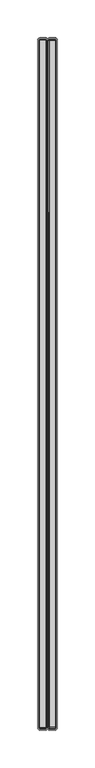
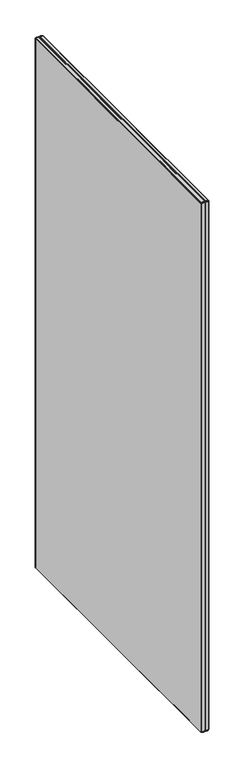
"""IFC4 building model written with IfcOpenShell, lengths in millimetres: furniture geometry."""

from ifc_helpers import new_model, si_unit, origin, place, context, project, spatial, triangles, source, transform, mapped, element, save


def furniture_480451cd(model_context):
    return source(origin(), model_context, "Body", "Tessellation", [
        triangles([(1472.9395318, 1700.003075, 129.787999), (1464.7714257, 1700.003075, 129.787999), (1464.7714257, 1701.06115, 130.4949962), (1472.9395318, 1701.06115, 130.4949962), (1474.3874086, 1698.7560581, 1903.9250656), (1474.3874086, 1699.3850895, 1903.7999279), (1473.9644693, 1699.7801235, 1904.7530674), (1473.9644693, 1698.7560581, 1904.9569794), (1473.9644693, 1701.229163, 131.7749962), (1472.9395318, 1701.7669209, 131.5519993), (1472.9395318, 1702.0160336, 132.7999972), (1473.9644693, 1701.4329296, 132.7999972), (1473.9644693, 1699.7801235, 130.3270014), (1474.3874086, 1699.3850895, 131.2810038), (1474.3874086, 1698.7560581, 131.1560024), (1473.9644693, 1698.7560581, 130.1229986), (1472.9395318, 791.2751125, 1905.539938), (1472.9395318, 1698.7560581, 1905.539938), (1464.7714257, 1698.7560581, 1905.539938), (1464.7714257, 791.2751125, 1905.539938), (1464.7714257, 788.0151371, 1902.2809799), (1464.7714257, 788.0151371, 132.7999972), (1472.9395318, 788.0151371, 132.7999972), (1472.9395318, 788.0151371, 1902.2809799), (1464.7714257, 790.0280956, 1905.291988), (1472.9395318, 790.0280956, 1905.291988), (1473.9644693, 789.3819141, 1904.1730156), (1473.9644693, 790.2510471, 1904.7530674), (1472.9395318, 788.9700207, 1904.5860718), (1473.9644693, 791.2751125, 1904.9569794), (1474.3874086, 790.6460812, 1903.7999279), (1474.3874086, 791.2751125, 1903.9250656), (1474.3874086, 790.1129742, 1903.4429729), (1472.9395318, 1701.7669209, 1903.5279968), (1464.7714257, 1701.7669209, 1903.5279968), (1464.7714257, 1701.06115, 1904.5860718), (1472.9395318, 1701.06115, 1904.5860718), (1464.7714257, 1702.0160336, 1902.2809799), (1472.9395318, 1702.0160336, 1902.2809799), (1473.9644693, 1701.229163, 1903.3050453), (1473.9644693, 1701.4329296, 1902.2809799), (1472.9395318, 1700.003075, 1905.291988), (1473.9644693, 1700.6489658, 1904.1730156), (1473.9644693, 788.8020077, 1903.3050453), (1474.3874086, 789.7560192, 1902.9100113), (1472.9395318, 1698.7560581, 129.5400036), (1473.9644693, 1700.6489658, 130.9069987), (1472.9395318, 788.2639591, 1903.5279968), (1474.3874086, 1699.9179058, 131.6369959), (1473.9644693, 788.5979504, 132.7999972), (1473.9644693, 788.5979504, 1902.2809799), (1464.7714257, 788.2639591, 131.5519993), (1472.9395318, 788.2639591, 131.5519993), (1464.7714257, 788.9700207, 1904.5860718), (1464.7714257, 788.2639591, 1903.5279968), (1474.3874086, 1700.4001438, 1902.2809799), (1474.3874086, 1700.4001438, 132.7999972), (1472.9395318, 788.9700207, 130.4949962), (1464.7714257, 788.9700207, 130.4949962), (1464.7714257, 1698.7560581, 129.5400036), (1464.7714257, 790.0280956, 129.787999), (1472.9395318, 790.0280956, 129.787999), (1472.9395318, 791.2751125, 129.5400036), (1464.7714257, 791.2751125, 129.5400036), (1473.9644693, 791.2751125, 130.1229986), (1473.9644693, 790.2510471, 130.3270014), (1473.9644693, 789.3819141, 130.9069987), (1473.9644693, 788.8020077, 131.7749962), (1474.3874086, 789.7560192, 132.170003), (1474.3874086, 789.6310268, 132.7999972), (1474.3874086, 790.1129742, 131.6369959), (1474.3874086, 790.6460812, 131.2810038), (1474.3874086, 791.2751125, 131.1560024), (1474.3874086, 1700.2751514, 132.170003), (1474.3874086, 789.6310268, 1902.2809799), (1474.3874086, 1699.9179058, 1903.4429729), (1464.7714257, 1700.003075, 1905.291988), (1474.3874086, 1700.2751514, 1902.9100113), (1464.7714257, 1702.0160336, 132.7999972), (1464.7714257, 1701.7669209, 131.5519993), (1472.9395318, 1698.7560581, 1905.3979408), (1463.7464883, 1698.7560581, 1904.9569794), (1463.3234037, 1698.7560581, 1903.9250656), (1463.3234037, 791.2751125, 1903.9250656), (1463.7464883, 791.2751125, 1904.9569794), (1462.3734616, 1699.9309864, 1902.1859276), (1462.3734616, 1698.6610058, 1903.4560535), (1462.3734616, 1699.1470226, 1903.3589664), (1462.3734616, 1699.8338993, 1902.6719444), (1463.3234037, 790.6460812, 1903.7999279), (1463.7464883, 790.2510471, 1904.7530674), (1475.7604352, 791.2751125, 1903.9250656), (1475.7604352, 1698.7560581, 1903.9250656), (1475.7604352, 1700.4001438, 132.7999972), (1475.7604352, 1700.2751514, 132.170003), (1463.7464883, 788.8020077, 1903.3050453), (1463.7464883, 789.3819141, 1904.1730156), (1475.7604352, 1700.2751514, 1902.9100113), (1475.7604352, 1700.4001438, 1902.2809799), (1475.7604352, 789.6310268, 1902.2809799), (1475.7604352, 789.7560192, 1902.9100113), (1475.7604352, 1699.3850895, 1903.7999279), (1475.7604352, 1699.9179058, 1903.4429729), (1462.3734616, 790.884148, 1903.3589664), (1462.3734616, 791.3701649, 1903.4560535), (1462.3734616, 790.0998936, 1902.1859276), (1462.3734616, 790.1969807, 1902.6719444), (1462.3734616, 1699.8338993, 132.4079972), (1462.3734616, 1699.5589161, 131.997003), (1462.3734616, 1699.1470226, 131.7210024), (1462.3734616, 1699.9309864, 132.8950042), (1462.3734616, 790.0998936, 132.8950042), (1462.3734616, 790.1969807, 132.4079972), (1462.3734616, 791.3701649, 131.6249963), (1462.3734616, 790.884148, 131.7210024), (1462.3734616, 1698.6610058, 131.6249963), (1475.7604352, 790.6460812, 1903.7999279), (1475.7604352, 790.1129742, 1903.4429729), (1475.7604352, 790.6460812, 131.2810038), (1475.7604352, 791.2751125, 131.1560024), (1462.3734616, 790.4719639, 131.997003), (1475.7604352, 1698.7560581, 131.1560024), (1475.7604352, 1699.3850895, 131.2810038), (1475.7604352, 1699.9179058, 131.6369959), (1475.7604352, 790.1129742, 131.6369959), (1462.3734616, 1699.5589161, 1903.0839832), (1475.7604352, 789.6310268, 132.7999972), (1462.3734616, 790.4719639, 1903.0839832), (1475.7604352, 789.7560192, 132.170003), (1463.7464883, 788.5979504, 1902.2809799), (1463.7464883, 1701.4329296, 132.7999972), (1463.3234037, 1700.4001438, 132.7999972), (1463.3234037, 1700.4001438, 1902.2809799), (1463.7464883, 1701.4329296, 1902.2809799), (1463.7464883, 788.8020077, 131.7749962), (1463.3234037, 789.7560192, 132.170003), (1463.3234037, 790.1129742, 131.6369959), (1463.7464883, 789.3819141, 130.9069987), (1463.7464883, 1699.7801235, 130.3270014), (1463.7464883, 1700.6489658, 130.9069987), (1463.7464883, 1698.7560581, 130.1229986), (1463.3234037, 1699.3850895, 131.2810038), (1463.3234037, 1699.9179058, 131.6369959), (1463.3234037, 1700.2751514, 132.170003), (1463.7464883, 1701.229163, 131.7749962), (1463.7464883, 788.5979504, 132.7999972), (1463.7464883, 791.2751125, 130.1229986), (1463.7464883, 790.2510471, 130.3270014), (1463.3234037, 789.6310268, 132.7999972), (1463.3234037, 790.6460812, 131.2810038), (1463.3234037, 1698.7560581, 131.1560024), (1463.3234037, 1700.2751514, 1902.9100113), (1463.3234037, 1699.9179058, 1903.4429729), (1463.7464883, 1700.6489658, 1904.1730156), (1463.7464883, 1701.229163, 1903.3050453), (1463.3234037, 1699.3850895, 1903.7999279), (1463.3234037, 790.1129742, 1903.4429729), (1463.3234037, 789.7560192, 1902.9100113), (1463.3234037, 791.2751125, 131.1560024), (1463.3234037, 789.6310268, 1902.2809799), (1463.7464883, 1699.7801235, 1904.7530674), (1476.1825025, 1698.7560581, 1904.9569794), (1477.2074399, 1698.7560581, 1905.539938), (1477.2074399, 1700.003075, 1905.291988), (1476.1825025, 1699.7801235, 1904.7530674), (1485.376418, 788.9700207, 130.4949962), (1485.376418, 788.2639591, 131.5519993), (1477.2074399, 788.2639591, 131.5519993), (1477.2074399, 788.9700207, 130.4949962), (1476.1825025, 790.2510471, 130.3270014), (1477.2074399, 790.0280956, 129.787999), (1476.1825025, 789.3819141, 130.9069987), (1477.2074399, 788.2639591, 1903.5279968), (1485.376418, 788.2639591, 1903.5279968), (1485.376418, 788.9700207, 1904.5860718), (1477.2074399, 788.9700207, 1904.5860718), (1476.1825025, 788.8020077, 131.7749962), (1476.1825025, 788.5979504, 132.7999972), (1477.2074399, 1698.7560581, 129.5400036), (1477.2074399, 1700.003075, 129.787999), (1485.376418, 1700.003075, 129.787999), (1485.376418, 1698.7560581, 129.5400036), (1485.376418, 791.2751125, 129.5400036), (1485.376418, 790.0280956, 129.787999), (1477.2074399, 791.2751125, 129.5400036), (1476.1825025, 788.8020077, 1903.3050453), (1476.1825025, 789.3819141, 1904.1730156), (1477.2074399, 788.0151371, 1902.2809799), (1476.1825025, 788.5979504, 1902.2809799), (1477.2074399, 1701.06115, 1904.5860718), (1485.376418, 1700.003075, 1905.291988), (1485.376418, 1701.06115, 1904.5860718), (1476.1825025, 1700.6489658, 130.9069987), (1476.1825025, 1701.229163, 131.7749962), (1477.2074399, 1701.7669209, 131.5519993), (1477.2074399, 1701.06115, 130.4949962), (1476.1825025, 1698.7560581, 130.1229986), (1476.1825025, 1699.7801235, 130.3270014), (1477.2074399, 788.0151371, 132.7999972), (1485.376418, 788.0151371, 132.7999972), (1485.376418, 788.0151371, 1902.2809799), (1485.376418, 1701.06115, 130.4949962), (1485.376418, 1698.7560581, 1905.539938), (1476.1825025, 790.2510471, 1904.7530674), (1477.2074399, 790.0280956, 1905.291988), (1477.2074399, 791.2751125, 1905.539938), (1476.1825025, 791.2751125, 1904.9569794), (1476.1825025, 1700.6489658, 1904.1730156), (1477.2074399, 1701.7669209, 1903.5279968), (1476.1825025, 1701.229163, 1903.3050453), (1476.1825025, 1701.4329296, 132.7999972), (1476.1825025, 791.2751125, 130.1229986), (1485.376418, 790.0280956, 1905.291988), (1485.376418, 791.2751125, 1905.539938), (1477.2074399, 1702.0160336, 1902.2809799), (1485.376418, 1701.7669209, 1903.5279968), (1485.376418, 1702.0160336, 1902.2809799), (1477.2074399, 1702.0160336, 132.7999972), (1476.1825025, 1701.4329296, 1902.2809799), (1477.2074399, 1698.7560581, 1905.3979408), (1485.376418, 1702.0160336, 132.7999972), (1485.376418, 1701.7669209, 131.5519993), (1486.4015008, 1701.229163, 1903.3050453), (1486.4015008, 1700.6489658, 1904.1730156), (1486.8234227, 1698.7560581, 1903.9250656), (1486.8234227, 1699.3850895, 1903.7999279), (1486.4015008, 1699.7801235, 1904.7530674), (1486.4015008, 1698.7560581, 1904.9569794), (1486.8234227, 1699.9179058, 1903.4429729), (1486.8234227, 1700.2751514, 1902.9100113), (1486.8234227, 1700.4001438, 1902.2809799), (1486.4015008, 1701.4329296, 1902.2809799), (1486.8234227, 1700.4001438, 132.7999972), (1486.4015008, 1701.4329296, 132.7999972), (1486.4015008, 1699.7801235, 130.3270014), (1486.4015008, 1700.6489658, 130.9069987), (1487.7735101, 1699.8338993, 132.4079972), (1487.7735101, 1699.1470226, 131.7210024), (1487.7735101, 1699.5589161, 131.997003), (1487.7735101, 1699.9309864, 1902.1859276), (1487.7735101, 1698.6610058, 1903.4560535), (1487.7735101, 791.3701649, 1903.4560535), (1487.7735101, 790.0998936, 1902.1859276), (1486.4015008, 789.3819141, 1904.1730156), (1486.8234227, 790.1129742, 1903.4429729), (1486.8234227, 790.6460812, 1903.7999279), (1486.4015008, 790.2510471, 1904.7530674), (1486.4015008, 1701.229163, 131.7749962), (1487.7735101, 1699.8338993, 1902.6719444), (1487.7735101, 1699.1470226, 1903.3589664), (1487.7735101, 790.884148, 131.7210024), (1487.7735101, 790.1969807, 132.4079972), (1487.7735101, 790.4719639, 131.997003), (1486.4015008, 791.2751125, 1904.9569794), (1486.4015008, 788.8020077, 1903.3050453), (1486.8234227, 789.7560192, 1902.9100113), (1487.7735101, 790.0998936, 132.8950042), (1487.7735101, 1699.9309864, 132.8950042), (1486.4015008, 1698.7560581, 130.1229986), (1486.8234227, 1700.2751514, 132.170003), (1487.7735101, 790.884148, 1903.3589664), (1487.7735101, 790.4719639, 1903.0839832), (1487.7735101, 790.1969807, 1902.6719444), (1486.4015008, 788.5979504, 1902.2809799), (1486.8234227, 1699.9179058, 131.6369959), (1487.7735101, 1699.5589161, 1903.0839832), (1486.8234227, 1699.3850895, 131.2810038), (1486.8234227, 1698.7560581, 131.1560024), (1486.8234227, 789.6310268, 1902.2809799), (1487.7735101, 1698.6610058, 131.6249963), (1486.8234227, 791.2751125, 1903.9250656), (1487.7735101, 791.3701649, 131.6249963), (1486.4015008, 788.5979504, 132.7999972), (1486.8234227, 789.6310268, 132.7999972), (1486.8234227, 791.2751125, 131.1560024), (1486.4015008, 791.2751125, 130.1229986), (1486.8234227, 790.1129742, 131.6369959), (1486.8234227, 790.6460812, 131.2810038), (1486.8234227, 789.7560192, 132.170003), (1486.4015008, 789.3819141, 130.9069987), (1486.4015008, 790.2510471, 130.3270014), (1486.4015008, 788.8020077, 131.7749962)], [[1, 2, 3], [1, 3, 4], [5, 6, 7], [5, 7, 8], [9, 10, 11], [9, 11, 12], [13, 14, 15], [13, 15, 16], [17, 18, 19], [17, 19, 20], [21, 22, 23], [21, 23, 24], [17, 20, 25], [17, 25, 26], [27, 28, 26], [27, 26, 29], [30, 17, 26], [30, 26, 28], [30, 28, 31], [30, 31, 32], [27, 33, 31], [27, 31, 28], [34, 35, 36], [34, 36, 37], [38, 35, 34], [38, 34, 39], [39, 34, 40], [39, 40, 41], [37, 42, 7], [37, 7, 43], [27, 44, 45], [27, 45, 33], [40, 34, 37], [40, 37, 43], [7, 42, 18], [7, 18, 8], [46, 1, 13], [46, 13, 16], [4, 10, 9], [4, 9, 47], [27, 29, 48], [27, 48, 44], [49, 14, 13], [49, 13, 47], [24, 23, 50], [24, 50, 51], [23, 22, 52], [23, 52, 53], [13, 1, 4], [13, 4, 47], [29, 54, 55], [29, 55, 48], [41, 56, 57], [41, 57, 12], [58, 53, 52], [58, 52, 59], [60, 2, 1], [60, 1, 46], [58, 59, 61], [58, 61, 62], [63, 62, 61], [63, 61, 64], [65, 66, 62], [65, 62, 63], [67, 58, 62], [67, 62, 66], [67, 68, 53], [67, 53, 58], [50, 23, 53], [50, 53, 68], [50, 68, 69], [50, 69, 70], [67, 71, 69], [67, 69, 68], [67, 66, 72], [67, 72, 71], [65, 73, 72], [65, 72, 66], [64, 60, 46], [64, 46, 63], [9, 74, 49], [9, 49, 47], [50, 70, 75], [50, 75, 51], [7, 6, 76], [7, 76, 43], [57, 74, 9], [57, 9, 12], [29, 26, 25], [29, 25, 54], [36, 77, 42], [36, 42, 37], [24, 48, 55], [24, 55, 21], [51, 75, 45], [51, 45, 44], [76, 78, 40], [76, 40, 43], [30, 32, 5], [30, 5, 8], [40, 78, 56], [40, 56, 41], [39, 11, 79], [39, 79, 38], [41, 12, 11], [41, 11, 39], [3, 80, 10], [3, 10, 4], [10, 80, 79], [10, 79, 11], [42, 77, 19], [42, 19, 18], [51, 44, 48], [51, 48, 24], [30, 8, 81], [30, 81, 17], [82, 83, 84], [82, 84, 85], [58, 62, 66], [58, 66, 67], [16, 13, 14], [16, 14, 15], [47, 49, 14], [47, 14, 13], [86, 87, 88], [86, 88, 89], [84, 90, 91], [84, 91, 85], [92, 93, 5], [92, 5, 32], [94, 95, 74], [94, 74, 57], [96, 55, 54], [96, 54, 97], [98, 99, 56], [98, 56, 78], [100, 101, 45], [100, 45, 75], [47, 9, 74], [47, 74, 49], [68, 69, 70], [68, 70, 50], [16, 15, 73], [16, 73, 65], [4, 3, 80], [4, 80, 10], [102, 103, 76], [102, 76, 6], [16, 46, 1], [16, 1, 13], [106, 104, 105], [104, 106, 107], [108, 109, 110], [106, 105, 87], [106, 87, 86], [73, 72, 66], [73, 66, 65], [46, 60, 2], [46, 2, 1], [47, 4, 10], [47, 10, 9], [106, 86, 111], [106, 111, 112], [114, 113, 112], [113, 114, 115], [111, 116, 114], [111, 114, 112], [68, 53, 58], [68, 58, 67], [102, 6, 5], [102, 5, 93], [92, 32, 31], [92, 31, 117], [118, 33, 45], [118, 45, 101], [119, 72, 73], [119, 73, 120], [115, 121, 113], [122, 15, 14], [122, 14, 123], [71, 69, 68], [71, 68, 67], [124, 123, 14], [124, 14, 49], [119, 125, 71], [119, 71, 72], [53, 52, 59], [53, 59, 58], [66, 72, 71], [66, 71, 67], [124, 49, 74], [124, 74, 95], [94, 57, 56], [94, 56, 99], [91, 25, 20], [91, 20, 85], [20, 19, 82], [20, 82, 85], [22, 52, 53], [22, 53, 23], [118, 117, 31], [118, 31, 33], [108, 110, 116], [111, 108, 116], [89, 88, 126], [23, 53, 68], [23, 68, 50], [59, 61, 62], [59, 62, 58], [62, 61, 64], [62, 64, 63], [63, 46, 16], [63, 16, 65], [11, 10, 80], [11, 80, 79], [98, 78, 76], [98, 76, 103], [100, 75, 70], [100, 70, 127], [104, 107, 128], [47, 13, 1], [47, 1, 4], [129, 127, 70], [129, 70, 69], [12, 57, 74], [12, 74, 9], [4, 1, 2], [4, 2, 3], [129, 69, 71], [129, 71, 125], [122, 120, 73], [122, 73, 15], [21, 55, 96], [21, 96, 130], [54, 25, 91], [54, 91, 97], [12, 9, 10], [12, 10, 11], [66, 62, 63], [66, 63, 65], [131, 132, 133], [131, 133, 134], [135, 136, 137], [135, 137, 138], [3, 2, 139], [3, 139, 140], [139, 2, 60], [139, 60, 141], [139, 142, 143], [139, 143, 140], [143, 144, 145], [143, 145, 140], [140, 3, 2], [140, 2, 139], [140, 145, 80], [140, 80, 3], [146, 135, 52], [146, 52, 22], [147, 64, 61], [147, 61, 148], [149, 136, 135], [149, 135, 146], [140, 143, 144], [140, 144, 145], [138, 137, 150], [138, 150, 148], [151, 142, 139], [151, 139, 141], [145, 144, 132], [145, 132, 131], [152, 89, 126], [152, 126, 153], [131, 79, 80], [131, 80, 145], [141, 151, 142], [141, 142, 139], [138, 59, 52], [138, 52, 135], [59, 52, 135], [59, 135, 138], [152, 133, 86], [152, 86, 89], [137, 150, 148], [137, 148, 138], [154, 155, 152], [154, 152, 153], [156, 153, 126], [156, 126, 88], [91, 90, 157], [91, 157, 97], [156, 88, 87], [156, 87, 83], [64, 61, 148], [64, 148, 147], [38, 79, 131], [38, 131, 134], [135, 52, 22], [135, 22, 146], [138, 148, 61], [138, 61, 59], [84, 83, 87], [84, 87, 105], [84, 105, 104], [84, 104, 90], [157, 90, 104], [157, 104, 128], [157, 128, 107], [157, 107, 158], [147, 159, 151], [147, 151, 141], [130, 160, 149], [130, 149, 146], [160, 158, 107], [160, 107, 106], [132, 111, 86], [132, 86, 133], [111, 132, 144], [111, 144, 108], [109, 108, 144], [109, 144, 143], [109, 143, 142], [109, 142, 110], [116, 110, 142], [116, 142, 151], [159, 114, 116], [159, 116, 151], [140, 139, 142], [140, 142, 143], [130, 146, 22], [130, 22, 21], [148, 61, 59], [148, 59, 138], [134, 155, 35], [134, 35, 38], [154, 153, 156], [154, 156, 161], [154, 36, 35], [154, 35, 155], [154, 161, 77], [154, 77, 36], [82, 19, 77], [82, 77, 161], [131, 145, 144], [131, 144, 132], [96, 158, 160], [96, 160, 130], [148, 150, 159], [148, 159, 147], [157, 158, 96], [157, 96, 97], [141, 139, 2], [141, 2, 60], [82, 161, 156], [82, 156, 83], [147, 141, 60], [147, 60, 64], [147, 148, 150], [147, 150, 159], [138, 135, 136], [138, 136, 137], [134, 133, 152], [134, 152, 155], [146, 149, 136], [146, 136, 135], [79, 80, 145], [79, 145, 131], [145, 80, 3], [145, 3, 140], [162, 163, 164], [162, 164, 165], [166, 167, 168], [166, 168, 169], [170, 171, 169], [170, 169, 172], [173, 174, 175], [173, 175, 176], [127, 129, 177], [127, 177, 178], [177, 129, 125], [177, 125, 172], [179, 180, 181], [179, 181, 182], [183, 184, 171], [183, 171, 185], [112, 113, 136], [112, 136, 149], [186, 173, 176], [186, 176, 187], [188, 173, 186], [188, 186, 189], [190, 164, 191], [190, 191, 192], [193, 194, 195], [193, 195, 196], [197, 122, 123], [197, 123, 198], [114, 159, 150], [114, 150, 115], [118, 101, 186], [118, 186, 187], [188, 199, 200], [188, 200, 201], [171, 184, 166], [171, 166, 169], [177, 168, 199], [177, 199, 178], [125, 119, 170], [125, 170, 172], [185, 179, 182], [185, 182, 183], [168, 167, 200], [168, 200, 199], [196, 202, 181], [196, 181, 180], [121, 137, 136], [121, 136, 113], [163, 203, 191], [163, 191, 164], [169, 168, 177], [169, 177, 172], [193, 198, 123], [193, 123, 124], [204, 205, 206], [204, 206, 207], [208, 190, 209], [208, 209, 210], [211, 194, 95], [211, 95, 94], [185, 171, 170], [185, 170, 212], [170, 119, 120], [170, 120, 212], [185, 183, 184], [185, 184, 171], [205, 213, 214], [205, 214, 206], [215, 209, 216], [215, 216, 217], [215, 218, 211], [215, 211, 219], [197, 198, 180], [197, 180, 179], [193, 124, 95], [193, 95, 194], [206, 220, 162], [206, 162, 207], [219, 99, 98], [219, 98, 210], [189, 100, 127], [189, 127, 178], [201, 174, 173], [201, 173, 188], [162, 165, 102], [162, 102, 93], [160, 106, 112], [160, 112, 149], [204, 117, 118], [204, 118, 187], [121, 115, 150], [121, 150, 137], [92, 117, 204], [92, 204, 207], [186, 101, 100], [186, 100, 189], [208, 103, 102], [208, 102, 165], [176, 205, 204], [176, 204, 187], [214, 203, 163], [214, 163, 206], [190, 192, 216], [190, 216, 209], [208, 165, 164], [208, 164, 190], [208, 210, 98], [208, 98, 103], [217, 221, 218], [217, 218, 215], [211, 94, 99], [211, 99, 219], [218, 221, 222], [218, 222, 195], [196, 195, 222], [196, 222, 202], [193, 196, 180], [193, 180, 198], [211, 218, 195], [211, 195, 194], [175, 213, 205], [175, 205, 176], [219, 210, 209], [219, 209, 215], [162, 93, 92], [162, 92, 207], [189, 178, 199], [189, 199, 188], [223, 216, 192], [223, 192, 224], [225, 226, 227], [225, 227, 228], [229, 230, 223], [229, 223, 224], [202, 181, 180], [202, 180, 196], [212, 185, 171], [212, 171, 170], [218, 195, 194], [218, 194, 211], [223, 230, 231], [223, 231, 232], [172, 170, 171], [172, 171, 169], [195, 222, 202], [195, 202, 196], [232, 231, 233], [232, 233, 234], [235, 181, 202], [235, 202, 236], [237, 238, 239], [240, 241, 242], [240, 242, 243], [244, 245, 246], [244, 246, 247], [202, 222, 248], [202, 248, 236], [180, 181, 182], [180, 182, 179], [249, 250, 241], [240, 249, 241], [251, 252, 253], [244, 247, 213], [244, 213, 175], [254, 214, 213], [254, 213, 247], [244, 255, 256], [244, 256, 245], [257, 258, 240], [257, 240, 243], [254, 228, 203], [254, 203, 214], [192, 191, 227], [192, 227, 224], [244, 175, 174], [244, 174, 255], [232, 234, 221], [232, 221, 217], [248, 222, 221], [248, 221, 234], [182, 181, 235], [182, 235, 259], [233, 260, 248], [233, 248, 234], [178, 127, 129], [178, 129, 177], [261, 262, 263], [264, 255, 174], [264, 174, 201], [248, 260, 265], [248, 265, 236], [249, 266, 250], [265, 267, 235], [265, 235, 236], [235, 267, 268], [235, 268, 259], [212, 170, 119], [212, 119, 120], [172, 169, 168], [172, 168, 177], [221, 222, 195], [221, 195, 218], [198, 180, 179], [198, 179, 197], [124, 95, 194], [124, 194, 193], [264, 269, 256], [264, 256, 255], [172, 125, 119], [172, 119, 170], [122, 123, 198], [122, 198, 197], [194, 95, 94], [194, 94, 211], [227, 191, 203], [227, 203, 228], [227, 226, 229], [227, 229, 224], [212, 120, 122], [212, 122, 197], [212, 197, 179], [212, 179, 185], [169, 171, 184], [169, 184, 166], [194, 195, 196], [194, 196, 193], [169, 166, 167], [169, 167, 168], [196, 180, 198], [196, 198, 193], [258, 270, 238], [258, 238, 237], [254, 247, 246], [254, 246, 271], [217, 216, 223], [217, 223, 232], [172, 177, 129], [172, 129, 125], [198, 123, 124], [198, 124, 193], [178, 177, 168], [178, 168, 199], [242, 263, 243], [263, 242, 261], [257, 251, 272], [251, 257, 252], [199, 168, 167], [199, 167, 200], [257, 272, 270], [257, 270, 258], [254, 271, 225], [254, 225, 228], [237, 260, 233], [237, 233, 258], [273, 274, 269], [273, 269, 264], [259, 268, 275], [259, 275, 276], [236, 265, 267], [236, 267, 235], [268, 267, 238], [268, 238, 270], [277, 278, 251], [277, 251, 253], [252, 279, 277], [252, 277, 253], [280, 166, 184], [280, 184, 281], [277, 279, 282], [277, 282, 280], [259, 235, 267], [259, 267, 268], [280, 277, 279], [280, 279, 282], [249, 240, 231], [249, 231, 230], [231, 240, 258], [231, 258, 233], [274, 279, 252], [274, 252, 257], [280, 281, 278], [280, 278, 277], [282, 279, 274], [282, 274, 273], [200, 167, 282], [200, 282, 273], [276, 275, 278], [276, 278, 281], [236, 248, 260], [236, 260, 265], [273, 282, 279], [273, 279, 274], [225, 241, 250], [225, 250, 226], [242, 241, 225], [271, 242, 225], [234, 233, 260], [234, 260, 248], [273, 200, 167], [273, 167, 282], [282, 167, 166], [282, 166, 280], [229, 266, 249], [229, 249, 230], [250, 266, 229], [250, 229, 226], [243, 263, 256], [243, 256, 269], [268, 270, 272], [268, 272, 275], [274, 257, 243], [274, 243, 269], [234, 248, 222], [234, 222, 221], [166, 184, 281], [166, 281, 280], [183, 182, 259], [183, 259, 276], [276, 281, 184], [276, 184, 183], [251, 278, 275], [251, 275, 272], [265, 260, 237], [265, 237, 239], [259, 182, 181], [259, 181, 235], [281, 278, 277], [281, 277, 280], [256, 263, 262], [256, 262, 245], [236, 202, 222], [236, 222, 248], [262, 261, 246], [262, 246, 245], [281, 184, 183], [281, 183, 276], [238, 267, 265], [238, 265, 239], [236, 235, 181], [236, 181, 202], [201, 200, 273], [201, 273, 264], [246, 261, 242], [246, 242, 271], [280, 282, 167], [280, 167, 166], [275, 278, 281], [275, 281, 276]], closed=False),
    ])


if __name__ == "__main__":
    model = new_model("IFC4")
    model_context = context("Model", 3, world=origin())
    ifc_project = project(units=[si_unit("LENGTHUNIT", "METRE", prefix="MILLI")], contexts=[model_context])
    site = spatial("IfcSite", under=ifc_project)
    building = spatial("IfcBuilding", under=site)
    placement = place(None, origin())
    furniture_shape = furniture_480451cd(model_context)
    element("IfcFurniture", 1, at=placement, inside=building, context=model_context, shape_type="MappedRepresentation", body=[
        mapped(furniture_shape, transform((0.0, 0.0, 0.0), x_axis=(1.0, 0.0, 0.0), y_axis=(0.0, 1.0, 0.0), z_axis=(0.0, 0.0, 1.0))),
    ])
    save(model, "model.ifc")
